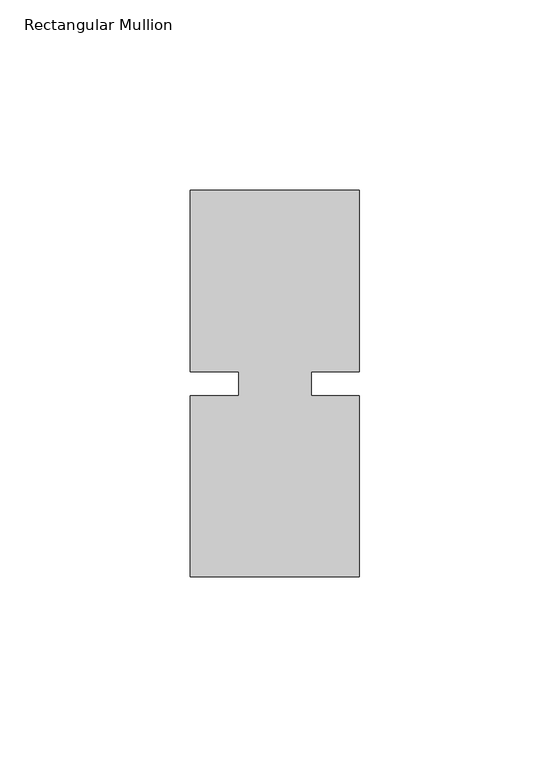
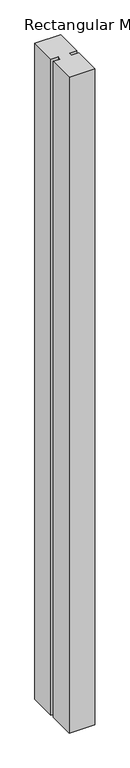
"""IFC4 building model written with IfcOpenShell, lengths in millimetres: member geometry, Rectangular Mullion."""

from ifc_helpers import new_model, si_unit, frame, origin, place, context, project, spatial, polyline, outline, extrude, source, transform, mapped, element, save


def rectangular_mullion_19781bbe(model_context):
    return source(origin(), model_context, "Body", "SweptSolid", [
        extrude(outline(polyline([(26.5594027, 50.8), (26.5594027, 3.175), (13.8576322, 3.175), (13.8576322, -3.175), (26.5594027, -3.175), (26.5594027, -50.8), (-17.8905973, -50.8), (-17.8905973, -3.175), (-5.1905973, -3.175), (-5.1905973, 3.175), (-17.8905973, 3.175), (-17.8905973, 50.8), (26.5594027, 50.8)])), frame((0.0, 0.0, -1192.6405973), z_axis=(0.0, 0.0, 1.0), x_axis=(1.0, 0.0, 0.0)), (0.0, 0.0, 1.0), 1192.6405973),
    ])


if __name__ == "__main__":
    model = new_model("IFC4")
    model_context = context("Model", 3, world=origin())
    ifc_project = project(units=[si_unit("LENGTHUNIT", "METRE", prefix="MILLI")], contexts=[model_context])
    site = spatial("IfcSite", under=ifc_project)
    building = spatial("IfcBuilding", under=site)
    placement = place(None, origin())
    rectangular_mullion_shape = rectangular_mullion_19781bbe(model_context)
    element("IfcMember", 1, ObjectType="Rectangular Mullion", at=placement, inside=building, context=model_context, shape_type="MappedRepresentation", body=[
        mapped(rectangular_mullion_shape, transform((0.0, 0.0, 0.0), x_axis=(1.0, 0.0, 0.0), y_axis=(0.0, 1.0, 0.0), z_axis=(0.0, 0.0, 1.0))),
    ])
    save(model, "model.ifc")
